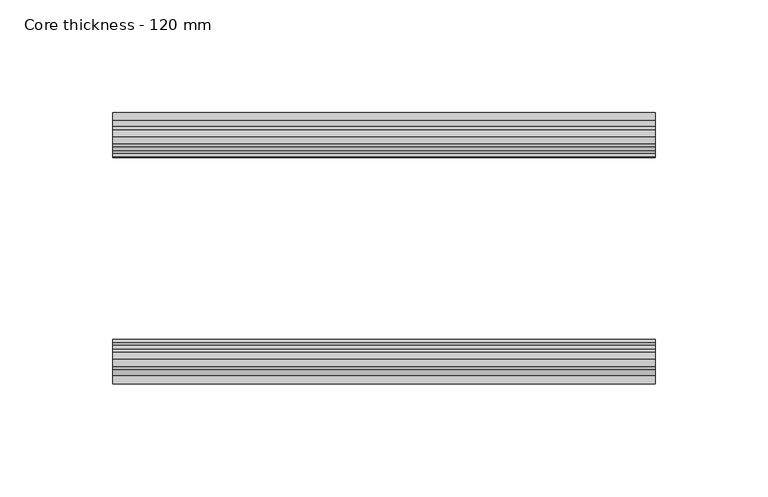
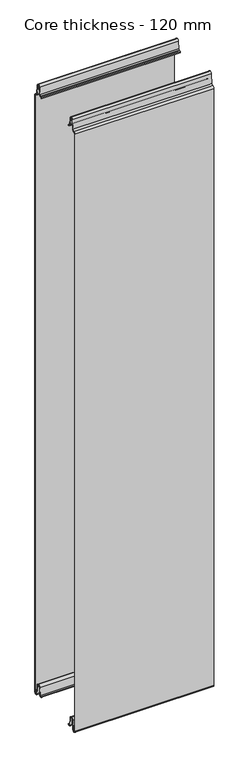
"""IFC4 building model written with IfcOpenShell, lengths in millimetres: plate geometry, Core thickness - 120 mm."""

from ifc_helpers import new_model, si_unit, frame, origin, place, context, project, spatial, polyline, circle_curve, source, transform, mapped, element, save
from ifc_brep_helpers import plane_surface, cylinder_surface, revolved_surface, advanced_brep


def core_thickness_120_mm_d8863007(model_context):
    return source(origin(), model_context, "Body", "AdvancedBrep", [
        advanced_brep(
        [(119.9999998, -119.1996949, 1093.8000005), (119.9999998, -116.6339815, 1096.1942726), (119.9999998, -113.1209335, 1099.1779769), (119.9999998, -111.4584333, 1116.1334653), (119.9999998, -109.1776715, 1118.1999998), (119.9999998, -106.8969097, 1116.1334653), (119.9999998, -105.5642071, 1102.5415123), (119.9999998, -102.9766159, 1100.1952279), (119.9999998, -101.8996949, 1100.1952279), (119.9999998, -101.2996949, 1099.5952279), (119.9999998, -101.2996949, 1098.4952279), (119.9999998, -100.4996949, 1098.4952279), (119.9999998, -100.4996949, 1099.5952279), (119.9999998, -101.8996949, 1100.9952279), (119.9999998, -102.9766159, 1100.9952279), (119.9999998, -104.7680252, 1102.6195786), (119.9999998, -106.1007278, 1116.2115316), (119.9999998, -109.1776715, 1119.0), (119.9999998, -112.2546153, 1116.2115316), (119.9999998, -113.9171154, 1099.2560432), (119.9999998, -116.5778021, 1097.005967), (119.9999998, -119.9996949, 1093.8000005), (119.9999998, -119.9996949, 2.9900682), (119.9999998, -113.81449, 2.6875612), (119.9999998, -112.197116, 19.1828169), (119.9999998, -109.1776715, 21.8898782), (119.9999998, -106.1582271, 19.1828169), (119.9999998, -104.7725998, 5.0510966), (119.9999998, -100.3830995, 5.265779), (119.9999998, -101.1830995, 5.265779), (119.9999998, -103.9764178, 5.1291629), (119.9999998, -105.3620451, 19.2608832), (119.9999998, -109.1776715, 22.6899182), (119.9999998, -112.9932979, 19.2608832), (119.9999998, -114.6106719, 2.7656275), (119.9999998, -119.1996949, 2.9900682), (-119.9999998, -119.2, 1093.8000005), (-119.9999998, -119.2, 2.9900682), (-119.9999998, -114.6106719, 2.7656275), (-119.9999998, -112.9932979, 19.2608832), (-119.9999998, -109.1776715, 22.6899182), (-119.9999998, -105.3620451, 19.2608832), (-119.9999998, -103.9764178, 5.1291629), (-119.9999998, -101.1830995, 5.265779), (-119.9999998, -100.3830995, 5.265779), (-119.9999998, -104.7725998, 5.0510966), (-119.9999998, -106.1582271, 19.1828169), (-119.9999998, -109.1776715, 21.8898782), (-119.9999998, -112.197116, 19.1828169), (-119.9999998, -113.81449, 2.6875612), (-119.9999998, -119.9996949, 2.9900682), (-119.9999998, -119.9996949, 1093.8000005), (-119.9999998, -116.5787437, 1096.9923633), (-119.9999998, -113.9171154, 1099.2560432), (-119.9999998, -112.2546153, 1116.2115316), (-119.9999998, -109.1776715, 1119.0), (-119.9999998, -106.1007278, 1116.2115316), (-119.9999998, -104.7680252, 1102.6195786), (-119.9999998, -102.9766159, 1100.9952279), (-119.9999998, -101.8996949, 1100.9952279), (-119.9999998, -100.4996949, 1099.5952279), (-119.9999998, -100.4996949, 1098.4952279), (-119.9999998, -101.2996949, 1098.4952279), (-119.9999998, -101.2996949, 1099.5952279), (-119.9999998, -101.8996949, 1100.1952279), (-119.9999998, -102.9766159, 1100.1952279), (-119.9999998, -105.5642071, 1102.5415123), (-119.9999998, -106.8969097, 1116.1334653), (-119.9999998, -109.1776715, 1118.1999998), (-119.9999998, -111.4584333, 1116.1334653), (-119.9999998, -113.1209335, 1099.1779769), (-119.9999998, -116.6330399, 1096.2078763)],
        [
            (0, 1, circle_curve(frame((119.9999998, -116.7996949, 1093.8000005), z_axis=(-1.0, 0.0, 0.0), x_axis=(0.0, 0.0, -1.0)), 2.4)),
            (1, 2, circle_curve(frame((119.9999998, -116.4051839, 1099.5000005), z_axis=(1.0, 0.0, 0.0), x_axis=(0.0, 0.0, -1.0)), 3.3)),
            (2, 3),
            (3, 4, circle_curve(frame((119.9999998, -109.1793626, 1115.9100005), z_axis=(-1.0, 0.0, 0.0), x_axis=(0.0, 0.0, -1.0)), 2.29)),
            (4, 5, circle_curve(frame((119.9999998, -109.1759805, 1115.9100005), z_axis=(-1.0, 0.0, 0.0), x_axis=(0.0, 0.0, -1.0)), 2.29)),
            (5, 6),
            (6, 7, circle_curve(frame((119.9999998, -102.9766159, 1102.7952279), z_axis=(1.0, 0.0, 0.0), x_axis=(0.0, 0.0, -1.0)), 2.6)),
            (7, 8),
            (8, 9, circle_curve(frame((119.9999998, -101.8996949, 1099.5952279), z_axis=(-1.0, 0.0, 0.0), x_axis=(0.0, 0.0, -1.0)), 0.6)),
            (9, 10),
            (10, 11),
            (11, 12),
            (12, 13, circle_curve(frame((119.9999998, -101.8996949, 1099.5952279), z_axis=(1.0, 0.0, 0.0), x_axis=(0.0, 0.0, -1.0)), 1.4)),
            (13, 14),
            (14, 15, circle_curve(frame((119.9999998, -102.9766159, 1102.7952279), z_axis=(-1.0, 0.0, 0.0), x_axis=(0.0, 0.0, -1.0)), 1.8)),
            (15, 16),
            (16, 17, circle_curve(frame((119.9999998, -109.1759805, 1115.9100005), z_axis=(1.0, 0.0, 0.0), x_axis=(0.0, 0.0, -1.0)), 3.09)),
            (17, 18, circle_curve(frame((119.9999998, -109.1793626, 1115.9100005), z_axis=(1.0, 0.0, 0.0), x_axis=(0.0, 0.0, -1.0)), 3.09)),
            (18, 19),
            (19, 20, circle_curve(frame((119.9999998, -116.4051839, 1099.5000005), z_axis=(-1.0, 0.0, 0.0), x_axis=(0.0, 0.0, -1.0)), 2.5)),
            (20, 21, circle_curve(frame((119.9999998, -116.7996949, 1093.8000005), z_axis=(1.0, 0.0, 0.0), x_axis=(0.0, 0.0, -1.0)), 3.2)),
            (21, 22),
            (22, 23, circle_curve(frame((119.9999998, -116.8996949, 2.9900682), z_axis=(1.0, 0.0, 0.0), x_axis=(0.0, 0.0, -1.0)), 3.1)),
            (23, 24),
            (24, 25, circle_curve(frame((119.9999998, -109.2114338, 18.8900682), z_axis=(-1.0, 0.0, 0.0), x_axis=(0.0, 0.0, -1.0)), 3.0)),
            (25, 26, circle_curve(frame((119.9999998, -109.1439093, 18.8900682), z_axis=(-1.0, 0.0, 0.0), x_axis=(0.0, 0.0, -1.0)), 3.0)),
            (26, 27),
            (27, 28, circle_curve(frame((119.9999998, -102.5830995, 5.265779), z_axis=(1.0, 0.0, 0.0), x_axis=(0.0, 0.0, -1.0)), 2.2)),
            (28, 29),
            (29, 30, circle_curve(frame((119.9999998, -102.5830995, 5.265779), z_axis=(-1.0, 0.0, 0.0), x_axis=(0.0, 0.0, -1.0)), 1.4)),
            (30, 31),
            (31, 32, circle_curve(frame((119.9999998, -109.1439093, 18.8900682), z_axis=(1.0, 0.0, 0.0), x_axis=(0.0, 0.0, -1.0)), 3.8)),
            (32, 33, circle_curve(frame((119.9999998, -109.2114338, 18.8900682), z_axis=(1.0, 0.0, 0.0), x_axis=(0.0, 0.0, -1.0)), 3.8)),
            (33, 34),
            (34, 35, circle_curve(frame((119.9999998, -116.8996949, 2.9900682), z_axis=(-1.0, 0.0, 0.0), x_axis=(0.0, 0.0, -1.0)), 2.3)),
            (35, 0),
            (36, 37),
            (37, 38, circle_curve(frame((-119.9999998, -116.8996949, 2.9900682), z_axis=(1.0, 0.0, 0.0), x_axis=(0.0, 0.0, -1.0)), 2.3)),
            (38, 39),
            (39, 40, circle_curve(frame((-119.9999998, -109.2114338, 18.8900682), z_axis=(-1.0, 0.0, 0.0), x_axis=(0.0, 0.0, -1.0)), 3.8)),
            (40, 41, circle_curve(frame((-119.9999998, -109.1439093, 18.8900682), z_axis=(-1.0, 0.0, 0.0), x_axis=(0.0, 0.0, -1.0)), 3.8)),
            (41, 42),
            (42, 43, circle_curve(frame((-119.9999998, -102.5830995, 5.265779), z_axis=(1.0, 0.0, 0.0), x_axis=(0.0, 0.0, -1.0)), 1.4)),
            (43, 44),
            (44, 45, circle_curve(frame((-119.9999998, -102.5830995, 5.265779), z_axis=(-1.0, 0.0, 0.0), x_axis=(0.0, 0.0, -1.0)), 2.2)),
            (45, 46),
            (46, 47, circle_curve(frame((-119.9999998, -109.1439093, 18.8900682), z_axis=(1.0, 0.0, 0.0), x_axis=(0.0, 0.0, -1.0)), 3.0)),
            (47, 48, circle_curve(frame((-119.9999998, -109.2114338, 18.8900682), z_axis=(1.0, 0.0, 0.0), x_axis=(0.0, 0.0, -1.0)), 3.0)),
            (48, 49),
            (49, 50, circle_curve(frame((-119.9999998, -116.8996949, 2.9900682), z_axis=(-1.0, 0.0, 0.0), x_axis=(0.0, 0.0, -1.0)), 3.1)),
            (50, 51),
            (51, 52, circle_curve(frame((-119.9999998, -116.7996949, 1093.8000005), z_axis=(-1.0, 0.0, 0.0), x_axis=(0.0, 0.0, -1.0)), 3.2)),
            (52, 53, circle_curve(frame((-119.9999998, -116.4051839, 1099.5000005), z_axis=(1.0, 0.0, 0.0), x_axis=(0.0, 0.0, -1.0)), 2.5)),
            (53, 54),
            (54, 55, circle_curve(frame((-119.9999998, -109.1793626, 1115.9100005), z_axis=(-1.0, 0.0, 0.0), x_axis=(0.0, 0.0, -1.0)), 3.09)),
            (55, 56, circle_curve(frame((-119.9999998, -109.1759805, 1115.9100005), z_axis=(-1.0, 0.0, 0.0), x_axis=(0.0, 0.0, -1.0)), 3.09)),
            (56, 57),
            (57, 58, circle_curve(frame((-119.9999998, -102.9766159, 1102.7952279), z_axis=(1.0, 0.0, 0.0), x_axis=(0.0, 0.0, -1.0)), 1.8)),
            (58, 59),
            (59, 60, circle_curve(frame((-119.9999998, -101.8996949, 1099.5952279), z_axis=(-1.0, 0.0, 0.0), x_axis=(0.0, 0.0, -1.0)), 1.4)),
            (60, 61),
            (61, 62),
            (62, 63),
            (63, 64, circle_curve(frame((-119.9999998, -101.8996949, 1099.5952279), z_axis=(1.0, 0.0, 0.0), x_axis=(0.0, 0.0, -1.0)), 0.6)),
            (64, 65),
            (65, 66, circle_curve(frame((-119.9999998, -102.9766159, 1102.7952279), z_axis=(-1.0, 0.0, 0.0), x_axis=(0.0, 0.0, -1.0)), 2.6)),
            (66, 67),
            (67, 68, circle_curve(frame((-119.9999998, -109.1759805, 1115.9100005), z_axis=(1.0, 0.0, 0.0), x_axis=(0.0, 0.0, -1.0)), 2.29)),
            (68, 69, circle_curve(frame((-119.9999998, -109.1793626, 1115.9100005), z_axis=(1.0, 0.0, 0.0), x_axis=(0.0, 0.0, -1.0)), 2.29)),
            (69, 70),
            (70, 71, circle_curve(frame((-119.9999998, -116.4051839, 1099.5000005), z_axis=(-1.0, 0.0, 0.0), x_axis=(0.0, 0.0, -1.0)), 3.3)),
            (71, 36, circle_curve(frame((-119.9999998, -116.7996949, 1093.8000005), z_axis=(1.0, 0.0, 0.0), x_axis=(0.0, 0.0, -1.0)), 2.4)),
            (35, 37),
            (36, 0),
            (21, 51),
            (50, 22),
            (20, 52),
            (19, 53),
            (18, 54),
            (17, 55),
            (16, 56),
            (15, 57),
            (14, 58),
            (13, 59),
            (12, 60),
            (11, 61),
            (10, 62),
            (9, 63),
            (8, 64),
            (7, 65),
            (6, 66),
            (5, 67),
            (4, 68),
            (3, 69),
            (2, 70),
            (1, 71),
            (34, 38),
            (33, 39),
            (32, 40),
            (31, 41),
            (30, 42),
            (29, 43),
            (28, 44),
            (27, 45),
            (26, 46),
            (25, 47),
            (24, 48),
            (23, 49),
        ],
        [
            plane_surface(frame((119.9999998, -120.0, 0.0), z_axis=(1.0, 0.0, 0.0), x_axis=(0.0, 1.0, 0.0))),
            plane_surface(frame((-119.9999998, -120.0, 0.0), z_axis=(-1.0, 0.0, 0.0), x_axis=(0.0, 1.0, 0.0))),
            plane_surface(frame((119.9999998, -119.2, 2.9900682), z_axis=(0.0, 1.0, 0.0), x_axis=(-1.0, 0.0, 0.0))),
            plane_surface(frame((119.9999998, -119.9996949, 1093.8000005), z_axis=(0.0, -1.0, 0.0), x_axis=(-1.0, 0.0, 0.0))),
            cylinder_surface(frame((119.9999998, -116.7996949, 1093.8000005), z_axis=(1.0, 0.0, 0.0), x_axis=(0.0, 0.0, -1.0)), 3.2),
            revolved_surface(polyline([(-119.9999998, -116.4051839, 1097.0000005), (119.9999998, -116.4051839, 1097.0000005)]), (119.9999998, -116.4051839, 1099.5000005), (-1.0, 0.0, 0.0)),
            plane_surface(frame((119.9999998, -112.2546153, 1116.2115316), z_axis=(0.0, -0.9952273999818317, 0.0975828997591444), x_axis=(-1.0, 0.0, 0.0))),
            cylinder_surface(frame((119.9999998, -109.1793626, 1115.9100005), z_axis=(1.0, 0.0, 0.0), x_axis=(0.0, 0.0, -1.0)), 3.09),
            cylinder_surface(frame((119.9999998, -109.1759805, 1115.9100005), z_axis=(1.0, 0.0, 0.0), x_axis=(0.0, 0.0, -1.0)), 3.09),
            plane_surface(frame((119.9999998, -104.7680252, 1102.6195786), z_axis=(0.0, 0.9952273999818314, 0.0975828997591471), x_axis=(-1.0, 0.0, 0.0))),
            revolved_surface(polyline([(-119.9999998, -102.9766159, 1100.9952279000001), (119.9999998, -102.9766159, 1100.9952279000001)]), (119.9999998, -102.9766159, 1102.7952279), (-1.0, 0.0, 0.0)),
            plane_surface(frame((119.9999998, -101.8996949, 1100.9952279), z_axis=(0.0, 0.0, 1.0), x_axis=(-1.0, 0.0, 0.0))),
            cylinder_surface(frame((119.9999998, -101.8996949, 1099.5952279), z_axis=(1.0, 0.0, 0.0), x_axis=(0.0, 0.0, -1.0)), 1.4),
            plane_surface(frame((119.9999998, -100.4996949, 1098.4952279), z_axis=(0.0, 1.0, 0.0), x_axis=(-1.0, 0.0, 0.0))),
            plane_surface(frame((119.9999998, -101.2996949, 1098.4952279), z_axis=(0.0, 0.0, -1.0), x_axis=(-1.0, 0.0, 0.0))),
            plane_surface(frame((119.9999998, -101.2996949, 1099.5952279), z_axis=(0.0, -1.0, 0.0), x_axis=(-1.0, 0.0, 0.0))),
            revolved_surface(polyline([(-119.9999998, -101.8996949, 1098.9952279000001), (119.9999998, -101.8996949, 1098.9952279000001)]), (119.9999998, -101.8996949, 1099.5952279), (-1.0, 0.0, 0.0)),
            plane_surface(frame((119.9999998, -102.9766159, 1100.1952279), z_axis=(0.0, 0.0, -1.0), x_axis=(-1.0, 0.0, 0.0))),
            cylinder_surface(frame((119.9999998, -102.9766159, 1102.7952279), z_axis=(1.0, 0.0, 0.0), x_axis=(0.0, 0.0, -1.0)), 2.6),
            plane_surface(frame((119.9999998, -106.8969097, 1116.1334653), z_axis=(0.0, -0.9952273999818314, -0.09758289975914705), x_axis=(-1.0, 0.0, 0.0))),
            revolved_surface(polyline([(-119.9999998, -109.1759805, 1113.6200005), (119.9999998, -109.1759805, 1113.6200005)]), (119.9999998, -109.1759805, 1115.9100005), (-1.0, 0.0, 0.0)),
            revolved_surface(polyline([(-119.9999998, -109.1793626, 1113.6200005), (119.9999998, -109.1793626, 1113.6200005)]), (119.9999998, -109.1793626, 1115.9100005), (-1.0, 0.0, 0.0)),
            plane_surface(frame((119.9999998, -113.1209335, 1099.1779769), z_axis=(0.0, 0.9952273999818317, -0.09758289975914436), x_axis=(-1.0, 0.0, 0.0))),
            cylinder_surface(frame((119.9999998, -116.4051839, 1099.5000005), z_axis=(1.0, 0.0, 0.0), x_axis=(0.0, 0.0, -1.0)), 3.3),
            revolved_surface(polyline([(-119.9999998, -116.7996949, 1091.4000004999998), (119.9999998, -116.7996949, 1091.4000004999998)]), (119.9999998, -116.7996949, 1093.8000005), (-1.0, 0.0, 0.0)),
            revolved_surface(polyline([(-119.9999998, -116.8996949, 0.6900682000000002), (119.9999998, -116.8996949, 0.6900682000000002)]), (119.9999998, -116.8996949, 2.9900682), (-1.0, 0.0, 0.0)),
            plane_surface(frame((119.9999998, -112.9932979, 19.2608832), z_axis=(0.0, -0.9952273999818314, 0.09758289975914787), x_axis=(-1.0, 0.0, 0.0))),
            cylinder_surface(frame((119.9999998, -109.2114338, 18.8900682), z_axis=(1.0, 0.0, 0.0), x_axis=(0.0, 0.0, -1.0)), 3.8),
            cylinder_surface(frame((119.9999998, -109.1439093, 18.8900682), z_axis=(1.0, 0.0, 0.0), x_axis=(0.0, 0.0, -1.0)), 3.8),
            plane_surface(frame((119.9999998, -103.9764178, 5.1291629), z_axis=(0.0, 0.9952273999818297, 0.09758289975916531), x_axis=(-1.0, 0.0, 0.0))),
            revolved_surface(polyline([(-119.9999998, -102.5830995, 3.8657790000000003), (119.9999998, -102.5830995, 3.8657790000000003)]), (119.9999998, -102.5830995, 5.265779), (-1.0, 0.0, 0.0)),
            plane_surface(frame((119.9999998, -100.3830995, 5.265779), z_axis=(0.0, 0.0, 1.0), x_axis=(-1.0, 0.0, 0.0))),
            cylinder_surface(frame((119.9999998, -102.5830995, 5.265779), z_axis=(1.0, 0.0, 0.0), x_axis=(0.0, 0.0, -1.0)), 2.2),
            plane_surface(frame((119.9999998, -106.1582271, 19.1828169), z_axis=(0.0, -0.9952273999818296, -0.09758289975916527), x_axis=(-1.0, 0.0, 0.0))),
            revolved_surface(polyline([(-119.9999998, -109.1439093, 15.890068200000002), (119.9999998, -109.1439093, 15.890068200000002)]), (119.9999998, -109.1439093, 18.8900682), (-1.0, 0.0, 0.0)),
            revolved_surface(polyline([(-119.9999998, -109.2114338, 15.890068200000002), (119.9999998, -109.2114338, 15.890068200000002)]), (119.9999998, -109.2114338, 18.8900682), (-1.0, 0.0, 0.0)),
            plane_surface(frame((119.9999998, -113.81449, 2.6875612), z_axis=(0.0, 0.9952273999818314, -0.09758289975914787), x_axis=(-1.0, 0.0, 0.0))),
            cylinder_surface(frame((119.9999998, -116.8996949, 2.9900682), z_axis=(1.0, 0.0, 0.0), x_axis=(0.0, 0.0, -1.0)), 3.1),
        ],
        [
            (0, [[1, 2, 3, 4, 5, 6, 7, 8, 9, 10, 11, 12, 13, 14, 15, 16, 17, 18, 19, 20, 21, 22, 23, 24, 25, 26, 27, 28, 29, 30, 31, 32, 33, 34, 35, 36]]),
            (1, [[37, 38, 39, 40, 41, 42, 43, 44, 45, 46, 47, 48, 49, 50, 51, 52, 53, 54, 55, 56, 57, 58, 59, 60, 61, 62, 63, 64, 65, 66, 67, 68, 69, 70, 71, 72]]),
            (2, [[-36, 73, -37, 74]]),
            (3, [[-22, 75, -51, 76]]),
            (4, [[-21, 77, -52, -75]]),
            (5, [[-20, 78, -53, -77]]),
            (6, [[-19, 79, -54, -78]]),
            (7, [[-18, 80, -55, -79]]),
            (8, [[-17, 81, -56, -80]]),
            (9, [[-16, 82, -57, -81]]),
            (10, [[-15, 83, -58, -82]]),
            (11, [[-14, 84, -59, -83]]),
            (12, [[-13, 85, -60, -84]]),
            (13, [[-12, 86, -61, -85]]),
            (14, [[-11, 87, -62, -86]]),
            (15, [[-10, 88, -63, -87]]),
            (16, [[-9, 89, -64, -88]]),
            (17, [[-8, 90, -65, -89]]),
            (18, [[-7, 91, -66, -90]]),
            (19, [[-6, 92, -67, -91]]),
            (20, [[-5, 93, -68, -92]]),
            (21, [[-4, 94, -69, -93]]),
            (22, [[-3, 95, -70, -94]]),
            (23, [[-2, 96, -71, -95]]),
            (24, [[-1, -74, -72, -96]]),
            (25, [[-35, 97, -38, -73]]),
            (26, [[-34, 98, -39, -97]]),
            (27, [[-33, 99, -40, -98]]),
            (28, [[-32, 100, -41, -99]]),
            (29, [[-31, 101, -42, -100]]),
            (30, [[-30, 102, -43, -101]]),
            (31, [[-29, 103, -44, -102]]),
            (32, [[-28, 104, -45, -103]]),
            (33, [[-27, 105, -46, -104]]),
            (34, [[-26, 106, -47, -105]]),
            (35, [[-25, 107, -48, -106]]),
            (36, [[-24, 108, -49, -107]]),
            (37, [[-23, -76, -50, -108]]),
        ],
    ),
        advanced_brep(
        [(119.9999998, -0.8, 1093.8000005), (119.9999998, -0.8, 2.9900682), (119.9999998, -5.3893281, 2.7656275), (119.9999998, -7.0067021, 19.2608832), (119.9999998, -10.8223285, 22.6899182), (119.9999998, -14.6379549, 19.2608832), (119.9999998, -16.0235822, 5.1291629), (119.9999998, -18.8169005, 5.265779), (119.9999998, -19.6169005, 5.265779), (119.9999998, -15.2274002, 5.0510966), (119.9999998, -13.8417729, 19.1828169), (119.9999998, -10.8223285, 21.8898782), (119.9999998, -7.802884, 19.1828169), (119.9999998, -6.18551, 2.6875612), (119.9999998, -0.0003051, 2.9900682), (119.9999998, -0.0003051, 1093.8000005), (119.9999998, -3.4212563, 1096.9923633), (119.9999998, -6.0828846, 1099.2560432), (119.9999998, -7.7453847, 1116.2115316), (119.9999998, -10.8223285, 1119.0), (119.9999998, -13.8992722, 1116.2115316), (119.9999998, -15.2319748, 1102.6195786), (119.9999998, -17.0233841, 1100.9952279), (119.9999998, -18.1003051, 1100.9952279), (119.9999998, -19.5003051, 1099.5952279), (119.9999998, -19.5003051, 1098.4952279), (119.9999998, -18.7003051, 1098.4952279), (119.9999998, -18.7003051, 1099.5952279), (119.9999998, -18.1003051, 1100.1952279), (119.9999998, -17.0233841, 1100.1952279), (119.9999998, -14.4357929, 1102.5415123), (119.9999998, -13.1030903, 1116.1334653), (119.9999998, -10.8223285, 1118.1999998), (119.9999998, -8.5415667, 1116.1334653), (119.9999998, -6.8790665, 1099.1779769), (119.9999998, -3.3669601, 1096.2078763), (-119.9999998, -0.8003051, 1093.8000005), (-119.9999998, -3.3660185, 1096.1942726), (-119.9999998, -6.8790665, 1099.1779769), (-119.9999998, -8.5415667, 1116.1334653), (-119.9999998, -10.8223285, 1118.1999998), (-119.9999998, -13.1030903, 1116.1334653), (-119.9999998, -14.4357929, 1102.5415123), (-119.9999998, -17.0233841, 1100.1952279), (-119.9999998, -18.1003051, 1100.1952279), (-119.9999998, -18.7003051, 1099.5952279), (-119.9999998, -18.7003051, 1098.4952279), (-119.9999998, -19.5003051, 1098.4952279), (-119.9999998, -19.5003051, 1099.5952279), (-119.9999998, -18.1003051, 1100.9952279), (-119.9999998, -17.0233841, 1100.9952279), (-119.9999998, -15.2319748, 1102.6195786), (-119.9999998, -13.8992722, 1116.2115316), (-119.9999998, -10.8223285, 1119.0), (-119.9999998, -7.7453847, 1116.2115316), (-119.9999998, -6.0828846, 1099.2560432), (-119.9999998, -3.4221979, 1097.005967), (-119.9999998, -0.0003051, 1093.8000005), (-119.9999998, -0.0003051, 2.9900682), (-119.9999998, -6.18551, 2.6875612), (-119.9999998, -7.802884, 19.1828169), (-119.9999998, -10.8223285, 21.8898782), (-119.9999998, -13.8417729, 19.1828169), (-119.9999998, -15.2274002, 5.0510966), (-119.9999998, -19.6169005, 5.265779), (-119.9999998, -18.8169005, 5.265779), (-119.9999998, -16.0235822, 5.1291629), (-119.9999998, -14.6379549, 19.2608832), (-119.9999998, -10.8223285, 22.6899182), (-119.9999998, -7.0067021, 19.2608832), (-119.9999998, -5.3893281, 2.7656275), (-119.9999998, -0.8003051, 2.9900682)],
        [
            (0, 1),
            (1, 2, circle_curve(frame((119.9999998, -3.1003051, 2.9900682), z_axis=(-1.0, 0.0, 0.0), x_axis=(0.0, 0.0, -1.0)), 2.3)),
            (2, 3),
            (3, 4, circle_curve(frame((119.9999998, -10.7885662, 18.8900682), z_axis=(1.0, 0.0, 0.0), x_axis=(0.0, 0.0, -1.0)), 3.8)),
            (4, 5, circle_curve(frame((119.9999998, -10.8560907, 18.8900682), z_axis=(1.0, 0.0, 0.0), x_axis=(0.0, 0.0, -1.0)), 3.8)),
            (5, 6),
            (6, 7, circle_curve(frame((119.9999998, -17.4169005, 5.265779), z_axis=(-1.0, 0.0, 0.0), x_axis=(0.0, 0.0, -1.0)), 1.4)),
            (7, 8),
            (8, 9, circle_curve(frame((119.9999998, -17.4169005, 5.265779), z_axis=(1.0, 0.0, 0.0), x_axis=(0.0, 0.0, -1.0)), 2.2)),
            (9, 10),
            (10, 11, circle_curve(frame((119.9999998, -10.8560907, 18.8900682), z_axis=(-1.0, 0.0, 0.0), x_axis=(0.0, 0.0, -1.0)), 3.0)),
            (11, 12, circle_curve(frame((119.9999998, -10.7885662, 18.8900682), z_axis=(-1.0, 0.0, 0.0), x_axis=(0.0, 0.0, -1.0)), 3.0)),
            (12, 13),
            (13, 14, circle_curve(frame((119.9999998, -3.1003051, 2.9900682), z_axis=(1.0, 0.0, 0.0), x_axis=(0.0, 0.0, -1.0)), 3.1)),
            (14, 15),
            (15, 16, circle_curve(frame((119.9999998, -3.2003051, 1093.8000005), z_axis=(1.0, 0.0, 0.0), x_axis=(0.0, 0.0, -1.0)), 3.2)),
            (16, 17, circle_curve(frame((119.9999998, -3.5948161, 1099.5000005), z_axis=(-1.0, 0.0, 0.0), x_axis=(0.0, 0.0, -1.0)), 2.5)),
            (17, 18),
            (18, 19, circle_curve(frame((119.9999998, -10.8206374, 1115.9100005), z_axis=(1.0, 0.0, 0.0), x_axis=(0.0, 0.0, -1.0)), 3.09)),
            (19, 20, circle_curve(frame((119.9999998, -10.8240195, 1115.9100005), z_axis=(1.0, 0.0, 0.0), x_axis=(0.0, 0.0, -1.0)), 3.09)),
            (20, 21),
            (21, 22, circle_curve(frame((119.9999998, -17.0233841, 1102.7952279), z_axis=(-1.0, 0.0, 0.0), x_axis=(0.0, 0.0, -1.0)), 1.8)),
            (22, 23),
            (23, 24, circle_curve(frame((119.9999998, -18.1003051, 1099.5952279), z_axis=(1.0, 0.0, 0.0), x_axis=(0.0, 0.0, -1.0)), 1.4)),
            (24, 25),
            (25, 26),
            (26, 27),
            (27, 28, circle_curve(frame((119.9999998, -18.1003051, 1099.5952279), z_axis=(-1.0, 0.0, 0.0), x_axis=(0.0, 0.0, -1.0)), 0.6)),
            (28, 29),
            (29, 30, circle_curve(frame((119.9999998, -17.0233841, 1102.7952279), z_axis=(1.0, 0.0, 0.0), x_axis=(0.0, 0.0, -1.0)), 2.6)),
            (30, 31),
            (31, 32, circle_curve(frame((119.9999998, -10.8240195, 1115.9100005), z_axis=(-1.0, 0.0, 0.0), x_axis=(0.0, 0.0, -1.0)), 2.29)),
            (32, 33, circle_curve(frame((119.9999998, -10.8206374, 1115.9100005), z_axis=(-1.0, 0.0, 0.0), x_axis=(0.0, 0.0, -1.0)), 2.29)),
            (33, 34),
            (34, 35, circle_curve(frame((119.9999998, -3.5948161, 1099.5000005), z_axis=(1.0, 0.0, 0.0), x_axis=(0.0, 0.0, -1.0)), 3.3)),
            (35, 0, circle_curve(frame((119.9999998, -3.2003051, 1093.8000005), z_axis=(-1.0, 0.0, 0.0), x_axis=(0.0, 0.0, -1.0)), 2.4)),
            (36, 37, circle_curve(frame((-119.9999998, -3.2003051, 1093.8000005), z_axis=(1.0, 0.0, 0.0), x_axis=(0.0, 0.0, -1.0)), 2.4)),
            (37, 38, circle_curve(frame((-119.9999998, -3.5948161, 1099.5000005), z_axis=(-1.0, 0.0, 0.0), x_axis=(0.0, 0.0, -1.0)), 3.3)),
            (38, 39),
            (39, 40, circle_curve(frame((-119.9999998, -10.8206374, 1115.9100005), z_axis=(1.0, 0.0, 0.0), x_axis=(0.0, 0.0, -1.0)), 2.29)),
            (40, 41, circle_curve(frame((-119.9999998, -10.8240195, 1115.9100005), z_axis=(1.0, 0.0, 0.0), x_axis=(0.0, 0.0, -1.0)), 2.29)),
            (41, 42),
            (42, 43, circle_curve(frame((-119.9999998, -17.0233841, 1102.7952279), z_axis=(-1.0, 0.0, 0.0), x_axis=(0.0, 0.0, -1.0)), 2.6)),
            (43, 44),
            (44, 45, circle_curve(frame((-119.9999998, -18.1003051, 1099.5952279), z_axis=(1.0, 0.0, 0.0), x_axis=(0.0, 0.0, -1.0)), 0.6)),
            (45, 46),
            (46, 47),
            (47, 48),
            (48, 49, circle_curve(frame((-119.9999998, -18.1003051, 1099.5952279), z_axis=(-1.0, 0.0, 0.0), x_axis=(0.0, 0.0, -1.0)), 1.4)),
            (49, 50),
            (50, 51, circle_curve(frame((-119.9999998, -17.0233841, 1102.7952279), z_axis=(1.0, 0.0, 0.0), x_axis=(0.0, 0.0, -1.0)), 1.8)),
            (51, 52),
            (52, 53, circle_curve(frame((-119.9999998, -10.8240195, 1115.9100005), z_axis=(-1.0, 0.0, 0.0), x_axis=(0.0, 0.0, -1.0)), 3.09)),
            (53, 54, circle_curve(frame((-119.9999998, -10.8206374, 1115.9100005), z_axis=(-1.0, 0.0, 0.0), x_axis=(0.0, 0.0, -1.0)), 3.09)),
            (54, 55),
            (55, 56, circle_curve(frame((-119.9999998, -3.5948161, 1099.5000005), z_axis=(1.0, 0.0, 0.0), x_axis=(0.0, 0.0, -1.0)), 2.5)),
            (56, 57, circle_curve(frame((-119.9999998, -3.2003051, 1093.8000005), z_axis=(-1.0, 0.0, 0.0), x_axis=(0.0, 0.0, -1.0)), 3.2)),
            (57, 58),
            (58, 59, circle_curve(frame((-119.9999998, -3.1003051, 2.9900682), z_axis=(-1.0, 0.0, 0.0), x_axis=(0.0, 0.0, -1.0)), 3.1)),
            (59, 60),
            (60, 61, circle_curve(frame((-119.9999998, -10.7885662, 18.8900682), z_axis=(1.0, 0.0, 0.0), x_axis=(0.0, 0.0, -1.0)), 3.0)),
            (61, 62, circle_curve(frame((-119.9999998, -10.8560907, 18.8900682), z_axis=(1.0, 0.0, 0.0), x_axis=(0.0, 0.0, -1.0)), 3.0)),
            (62, 63),
            (63, 64, circle_curve(frame((-119.9999998, -17.4169005, 5.265779), z_axis=(-1.0, 0.0, 0.0), x_axis=(0.0, 0.0, -1.0)), 2.2)),
            (64, 65),
            (65, 66, circle_curve(frame((-119.9999998, -17.4169005, 5.265779), z_axis=(1.0, 0.0, 0.0), x_axis=(0.0, 0.0, -1.0)), 1.4)),
            (66, 67),
            (67, 68, circle_curve(frame((-119.9999998, -10.8560907, 18.8900682), z_axis=(-1.0, 0.0, 0.0), x_axis=(0.0, 0.0, -1.0)), 3.8)),
            (68, 69, circle_curve(frame((-119.9999998, -10.7885662, 18.8900682), z_axis=(-1.0, 0.0, 0.0), x_axis=(0.0, 0.0, -1.0)), 3.8)),
            (69, 70),
            (70, 71, circle_curve(frame((-119.9999998, -3.1003051, 2.9900682), z_axis=(1.0, 0.0, 0.0), x_axis=(0.0, 0.0, -1.0)), 2.3)),
            (71, 36),
            (35, 37),
            (36, 0),
            (34, 38),
            (33, 39),
            (32, 40),
            (31, 41),
            (30, 42),
            (29, 43),
            (28, 44),
            (27, 45),
            (26, 46),
            (25, 47),
            (24, 48),
            (23, 49),
            (22, 50),
            (21, 51),
            (20, 52),
            (19, 53),
            (18, 54),
            (17, 55),
            (16, 56),
            (15, 57),
            (14, 58),
            (71, 1),
            (13, 59),
            (12, 60),
            (11, 61),
            (10, 62),
            (9, 63),
            (8, 64),
            (7, 65),
            (6, 66),
            (5, 67),
            (4, 68),
            (3, 69),
            (2, 70),
        ],
        [
            plane_surface(frame((119.9999998, 0.0, 0.0), z_axis=(1.0, 0.0, 0.0), x_axis=(0.0, -1.0, 0.0))),
            plane_surface(frame((-119.9999998, 0.0, 0.0), z_axis=(-1.0, 0.0, 0.0), x_axis=(0.0, -1.0, 0.0))),
            revolved_surface(polyline([(-119.9999998, -3.2003051, 1091.4000004999998), (119.9999998, -3.2003051, 1091.4000004999998)]), (119.9999998, -3.2003051, 1093.8000005), (-1.0, 0.0, 0.0)),
            cylinder_surface(frame((119.9999998, -3.5948161, 1099.5000005), z_axis=(1.0, 0.0, 0.0), x_axis=(0.0, 0.0, -1.0)), 3.3),
            plane_surface(frame((119.9999998, -8.5415667, 1116.1334653), z_axis=(0.0, -0.9952273999818317, -0.09758289975914436), x_axis=(-1.0, 0.0, 0.0))),
            revolved_surface(polyline([(-119.9999998, -10.8206374, 1113.6200005), (119.9999998, -10.8206374, 1113.6200005)]), (119.9999998, -10.8206374, 1115.9100005), (-1.0, 0.0, 0.0)),
            revolved_surface(polyline([(-119.9999998, -10.8240195, 1113.6200005), (119.9999998, -10.8240195, 1113.6200005)]), (119.9999998, -10.8240195, 1115.9100005), (-1.0, 0.0, 0.0)),
            plane_surface(frame((119.9999998, -14.4357929, 1102.5415123), z_axis=(0.0, 0.9952273999818314, -0.09758289975914705), x_axis=(-1.0, 0.0, 0.0))),
            cylinder_surface(frame((119.9999998, -17.0233841, 1102.7952279), z_axis=(1.0, 0.0, 0.0), x_axis=(0.0, 0.0, -1.0)), 2.6),
            plane_surface(frame((119.9999998, -18.1003051, 1100.1952279), z_axis=(0.0, 0.0, -1.0), x_axis=(-1.0, 0.0, 0.0))),
            revolved_surface(polyline([(-119.9999998, -18.1003051, 1098.9952279000001), (119.9999998, -18.1003051, 1098.9952279000001)]), (119.9999998, -18.1003051, 1099.5952279), (-1.0, 0.0, 0.0)),
            plane_surface(frame((119.9999998, -18.7003051, 1098.4952279), z_axis=(0.0, 1.0, 0.0), x_axis=(-1.0, 0.0, 0.0))),
            plane_surface(frame((119.9999998, -19.5003051, 1098.4952279), z_axis=(0.0, 0.0, -1.0), x_axis=(-1.0, 0.0, 0.0))),
            plane_surface(frame((119.9999998, -19.5003051, 1099.5952279), z_axis=(0.0, -1.0, 0.0), x_axis=(-1.0, 0.0, 0.0))),
            cylinder_surface(frame((119.9999998, -18.1003051, 1099.5952279), z_axis=(1.0, 0.0, 0.0), x_axis=(0.0, 0.0, -1.0)), 1.4),
            plane_surface(frame((119.9999998, -17.0233841, 1100.9952279), z_axis=(0.0, 0.0, 1.0), x_axis=(-1.0, 0.0, 0.0))),
            revolved_surface(polyline([(-119.9999998, -17.0233841, 1100.9952279000001), (119.9999998, -17.0233841, 1100.9952279000001)]), (119.9999998, -17.0233841, 1102.7952279), (-1.0, 0.0, 0.0)),
            plane_surface(frame((119.9999998, -13.8992722, 1116.2115316), z_axis=(0.0, -0.9952273999818314, 0.0975828997591471), x_axis=(-1.0, 0.0, 0.0))),
            cylinder_surface(frame((119.9999998, -10.8240195, 1115.9100005), z_axis=(1.0, 0.0, 0.0), x_axis=(0.0, 0.0, -1.0)), 3.09),
            cylinder_surface(frame((119.9999998, -10.8206374, 1115.9100005), z_axis=(1.0, 0.0, 0.0), x_axis=(0.0, 0.0, -1.0)), 3.09),
            plane_surface(frame((119.9999998, -6.0828846, 1099.2560432), z_axis=(0.0, 0.9952273999818317, 0.0975828997591444), x_axis=(-1.0, 0.0, 0.0))),
            revolved_surface(polyline([(-119.9999998, -3.5948161, 1097.0000005), (119.9999998, -3.5948161, 1097.0000005)]), (119.9999998, -3.5948161, 1099.5000005), (-1.0, 0.0, 0.0)),
            cylinder_surface(frame((119.9999998, -3.2003051, 1093.8000005), z_axis=(1.0, 0.0, 0.0), x_axis=(0.0, 0.0, -1.0)), 3.2),
            plane_surface(frame((119.9999998, -0.0003051, 2.9900682), z_axis=(0.0, 1.0, 0.0), x_axis=(-1.0, 0.0, 0.0))),
            plane_surface(frame((119.9999998, -0.8, 1093.8000005), z_axis=(0.0, -1.0, 0.0), x_axis=(-1.0, 0.0, 0.0))),
            cylinder_surface(frame((119.9999998, -3.1003051, 2.9900682), z_axis=(1.0, 0.0, 0.0), x_axis=(0.0, 0.0, -1.0)), 3.1),
            plane_surface(frame((119.9999998, -7.802884, 19.1828169), z_axis=(0.0, -0.9952273999818314, -0.09758289975914787), x_axis=(-1.0, 0.0, 0.0))),
            revolved_surface(polyline([(-119.9999998, -10.7885662, 15.890068200000002), (119.9999998, -10.7885662, 15.890068200000002)]), (119.9999998, -10.7885662, 18.8900682), (-1.0, 0.0, 0.0)),
            revolved_surface(polyline([(-119.9999998, -10.8560907, 15.890068200000002), (119.9999998, -10.8560907, 15.890068200000002)]), (119.9999998, -10.8560907, 18.8900682), (-1.0, 0.0, 0.0)),
            plane_surface(frame((119.9999998, -15.2274002, 5.0510966), z_axis=(0.0, 0.9952273999818296, -0.09758289975916527), x_axis=(-1.0, 0.0, 0.0))),
            cylinder_surface(frame((119.9999998, -17.4169005, 5.265779), z_axis=(1.0, 0.0, 0.0), x_axis=(0.0, 0.0, -1.0)), 2.2),
            plane_surface(frame((119.9999998, -18.8169005, 5.265779), z_axis=(0.0, 0.0, 1.0), x_axis=(-1.0, 0.0, 0.0))),
            revolved_surface(polyline([(-119.9999998, -17.4169005, 3.8657790000000003), (119.9999998, -17.4169005, 3.8657790000000003)]), (119.9999998, -17.4169005, 5.265779), (-1.0, 0.0, 0.0)),
            plane_surface(frame((119.9999998, -14.6379549, 19.2608832), z_axis=(0.0, -0.9952273999818297, 0.09758289975916531), x_axis=(-1.0, 0.0, 0.0))),
            cylinder_surface(frame((119.9999998, -10.8560907, 18.8900682), z_axis=(1.0, 0.0, 0.0), x_axis=(0.0, 0.0, -1.0)), 3.8),
            cylinder_surface(frame((119.9999998, -10.7885662, 18.8900682), z_axis=(1.0, 0.0, 0.0), x_axis=(0.0, 0.0, -1.0)), 3.8),
            plane_surface(frame((119.9999998, -5.3893281, 2.7656275), z_axis=(0.0, 0.9952273999818314, 0.09758289975914787), x_axis=(-1.0, 0.0, 0.0))),
            revolved_surface(polyline([(-119.9999998, -3.1003051, 0.6900682000000002), (119.9999998, -3.1003051, 0.6900682000000002)]), (119.9999998, -3.1003051, 2.9900682), (-1.0, 0.0, 0.0)),
        ],
        [
            (0, [[1, 2, 3, 4, 5, 6, 7, 8, 9, 10, 11, 12, 13, 14, 15, 16, 17, 18, 19, 20, 21, 22, 23, 24, 25, 26, 27, 28, 29, 30, 31, 32, 33, 34, 35, 36]]),
            (1, [[37, 38, 39, 40, 41, 42, 43, 44, 45, 46, 47, 48, 49, 50, 51, 52, 53, 54, 55, 56, 57, 58, 59, 60, 61, 62, 63, 64, 65, 66, 67, 68, 69, 70, 71, 72]]),
            (2, [[-36, 73, -37, 74]]),
            (3, [[-35, 75, -38, -73]]),
            (4, [[-34, 76, -39, -75]]),
            (5, [[-33, 77, -40, -76]]),
            (6, [[-32, 78, -41, -77]]),
            (7, [[-31, 79, -42, -78]]),
            (8, [[-30, 80, -43, -79]]),
            (9, [[-29, 81, -44, -80]]),
            (10, [[-28, 82, -45, -81]]),
            (11, [[-27, 83, -46, -82]]),
            (12, [[-26, 84, -47, -83]]),
            (13, [[-25, 85, -48, -84]]),
            (14, [[-24, 86, -49, -85]]),
            (15, [[-23, 87, -50, -86]]),
            (16, [[-22, 88, -51, -87]]),
            (17, [[-21, 89, -52, -88]]),
            (18, [[-20, 90, -53, -89]]),
            (19, [[-19, 91, -54, -90]]),
            (20, [[-18, 92, -55, -91]]),
            (21, [[-17, 93, -56, -92]]),
            (22, [[-16, 94, -57, -93]]),
            (23, [[-15, 95, -58, -94]]),
            (24, [[-1, -74, -72, 96]]),
            (25, [[-14, 97, -59, -95]]),
            (26, [[-13, 98, -60, -97]]),
            (27, [[-12, 99, -61, -98]]),
            (28, [[-11, 100, -62, -99]]),
            (29, [[-10, 101, -63, -100]]),
            (30, [[-9, 102, -64, -101]]),
            (31, [[-8, 103, -65, -102]]),
            (32, [[-7, 104, -66, -103]]),
            (33, [[-6, 105, -67, -104]]),
            (34, [[-5, 106, -68, -105]]),
            (35, [[-4, 107, -69, -106]]),
            (36, [[-3, 108, -70, -107]]),
            (37, [[-2, -96, -71, -108]]),
        ],
    ),
    ])


if __name__ == "__main__":
    model = new_model("IFC4")
    model_context = context("Model", 3, world=origin())
    ifc_project = project(units=[si_unit("LENGTHUNIT", "METRE", prefix="MILLI")], contexts=[model_context])
    site = spatial("IfcSite", under=ifc_project)
    building = spatial("IfcBuilding", under=site)
    placement = place(None, origin())
    core_thickness_120_mm_shape = core_thickness_120_mm_d8863007(model_context)
    element("IfcPlate", 1, ObjectType="Core thickness - 120 mm", at=placement, inside=building, context=model_context, shape_type="MappedRepresentation", body=[
        mapped(core_thickness_120_mm_shape, transform((0.0, 0.0, 0.0), x_axis=(1.0, 0.0, 0.0), y_axis=(0.0, 1.0, 0.0), z_axis=(0.0, 0.0, 1.0))),
    ])
    save(model, "model.ifc")
